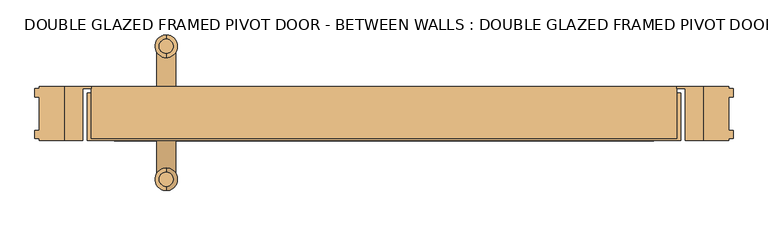
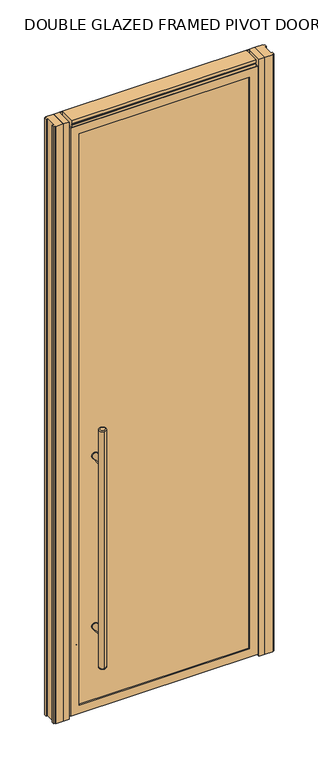
"""IFC4 building model written with IfcOpenShell, lengths in millimetres: door geometry, DOUBLE GLAZED FRAMED PIVOT DOOR - BETWEEN WALLS : DOUBLE GLAZED FRAMED PIVOT DOOR - BETWEEN WALLS."""

from ifc_helpers import new_model, si_unit, point, frame, frame_2d, origin, origin_with_axes, place, context, project, spatial, polyline, circle_curve, ellipse_curve, trimmed, segment, composite_curve, outline, extrude, faceted_brep, source, transform, mapped, element, save
from ifc_brep_helpers import plane_surface, cylinder_surface, revolved_surface, advanced_brep


def double_glazed_framed_pivot_door_between_walls_double_glazed_afb054ee(model_context):
    return source(origin(), model_context, "Body", "SolidModel", [
        extrude(outline(composite_curve([segment(trimmed(circle_curve(frame_2d((428.625, -331.7875)), 15.875), [point((428.625, -347.6625))], [point((428.625, -315.9125))], False, "CARTESIAN"), True, "CONTINUOUS"), segment(trimmed(circle_curve(frame_2d((428.625, -331.7875)), 15.875), [point((428.625, -315.9125))], [point((428.625, -347.6625))], False, "CARTESIAN"), True, "CONTINUOUS")], self_intersect=False)), frame((0.0, 6.35, 0.0), z_axis=(0.0, 1.0, 0.0), x_axis=(0.0, 0.0, 1.0)), (0.0, 0.0, 1.0), 3.175),
        extrude(outline(composite_curve([segment(trimmed(circle_curve(frame_2d((1298.575, -331.7875)), 15.875), [point((1298.575, -315.9125))], [point((1298.575, -347.6625))], False, "CARTESIAN"), True, "CONTINUOUS"), segment(trimmed(circle_curve(frame_2d((1298.575, -331.7875)), 15.875), [point((1298.575, -347.6625))], [point((1298.575, -315.9125))], False, "CARTESIAN"), True, "CONTINUOUS")], self_intersect=False)), frame((0.0, 6.35, 0.0), z_axis=(0.0, 1.0, 0.0), x_axis=(0.0, 0.0, 1.0)), (0.0, 0.0, 1.0), 3.175),
        extrude(outline(composite_curve([segment(trimmed(circle_curve(frame_2d((428.625, -331.7875)), 15.875), [point((428.625, -347.6625))], [point((428.625, -315.9125))], False, "CARTESIAN"), True, "CONTINUOUS"), segment(trimmed(circle_curve(frame_2d((428.625, -331.7875)), 15.875), [point((428.625, -315.9125))], [point((428.625, -347.6625))], False, "CARTESIAN"), True, "CONTINUOUS")], self_intersect=False)), frame((0.0, -69.85, 0.0), z_axis=(0.0, 1.0, 0.0), x_axis=(0.0, 0.0, 1.0)), (0.0, 0.0, 1.0), 3.175),
        extrude(outline(composite_curve([segment(trimmed(circle_curve(frame_2d((1298.575, -331.7875)), 15.875), [point((1298.575, -347.6625))], [point((1298.575, -315.9125))], False, "CARTESIAN"), True, "CONTINUOUS"), segment(trimmed(circle_curve(frame_2d((1298.575, -331.7875)), 15.875), [point((1298.575, -315.9125))], [point((1298.575, -347.6625))], False, "CARTESIAN"), True, "CONTINUOUS")], self_intersect=False)), frame((0.0, -69.85, 0.0), z_axis=(0.0, 1.0, 0.0), x_axis=(0.0, 0.0, 1.0)), (0.0, 0.0, 1.0), 3.175),
        extrude(outline(composite_curve([segment(trimmed(circle_curve(frame_2d((428.625, -331.7875)), 14.2875), [point((428.625, -317.5))], [point((428.625, -346.075))], False, "CARTESIAN"), True, "CONTINUOUS"), segment(trimmed(circle_curve(frame_2d((428.625, -331.7875)), 14.2875), [point((428.625, -346.075))], [point((428.625, -317.5))], False, "CARTESIAN"), True, "CONTINUOUS")], self_intersect=False)), frame((0.0, -131.7625, 0.0), z_axis=(0.0, 1.0, 0.0), x_axis=(0.0, 0.0, 1.0)), (0.0, 0.0, 1.0), 65.0875),
        extrude(outline(composite_curve([segment(trimmed(circle_curve(frame_2d((1298.575, -331.7875)), 14.2875), [point((1298.575, -317.5))], [point((1298.575, -346.075))], False, "CARTESIAN"), True, "CONTINUOUS"), segment(trimmed(circle_curve(frame_2d((1298.575, -331.7875)), 14.2875), [point((1298.575, -346.075))], [point((1298.575, -317.5))], False, "CARTESIAN"), True, "CONTINUOUS")], self_intersect=False)), frame((0.0, -131.7625, 0.0), z_axis=(0.0, 1.0, 0.0), x_axis=(0.0, 0.0, 1.0)), (0.0, 0.0, 1.0), 65.0875),
        advanced_brep(
        [(-331.7875, 60.6425, 1473.2), (-331.7875, 82.2325, 1473.2), (-331.7875, 82.2325, 254.0), (-331.7875, 60.6425, 254.0), (-331.7875, 88.5825, 260.35), (-331.7875, 88.5825, 1466.85), (-331.7875, 54.2925, 1466.85), (-331.7875, 54.2925, 260.35)],
        [
            (0, 1, circle_curve(frame((-331.7875, 71.4375, 1473.2), z_axis=(0.0, 0.0, 1.0), x_axis=(0.0, -1.0, 0.0)), 10.795)),
            (1, 0, circle_curve(frame((-331.7875, 71.4375, 1473.2), z_axis=(0.0, 0.0, 1.0), x_axis=(0.0, -1.0, 0.0)), 10.795)),
            (2, 3, circle_curve(frame((-331.7875, 71.4375, 254.0), z_axis=(0.0, 0.0, -1.0), x_axis=(0.0, -1.0, 0.0)), 10.795)),
            (3, 2, circle_curve(frame((-331.7875, 71.4375, 254.0), z_axis=(0.0, 0.0, -1.0), x_axis=(0.0, -1.0, 0.0)), 10.795)),
            (4, 5),
            (5, 6, circle_curve(frame((-331.7875, 71.4375, 1466.85), z_axis=(0.0, 0.0, -1.0), x_axis=(0.0, -1.0, 0.0)), 17.145)),
            (6, 7),
            (7, 4, circle_curve(frame((-331.7875, 71.4375, 260.35), z_axis=(0.0, 0.0, 1.0), x_axis=(0.0, -1.0, 0.0)), 17.145)),
            (6, 5, circle_curve(frame((-331.7875, 71.4375, 1466.85), z_axis=(0.0, 0.0, -1.0), x_axis=(0.0, -1.0, 0.0)), 17.145)),
            (4, 7, circle_curve(frame((-331.7875, 71.4375, 260.35), z_axis=(0.0, 0.0, 1.0), x_axis=(0.0, -1.0, 0.0)), 17.145)),
            (3, 7, circle_curve(frame((-331.7875, 60.6425, 260.35), z_axis=(-1.0, 0.0, 0.0), x_axis=(0.0, -1.0, 0.0)), 6.35)),
            (4, 2, circle_curve(frame((-331.7875, 82.2325, 260.35), z_axis=(-1.0, 0.0, 0.0), x_axis=(0.0, 1.0, 0.0)), 6.35)),
            (6, 0, circle_curve(frame((-331.7875, 60.6425, 1466.85), z_axis=(-1.0, 0.0, 0.0), x_axis=(0.0, -1.0, 0.0)), 6.35)),
            (1, 5, circle_curve(frame((-331.7875, 82.2325, 1466.85), z_axis=(-1.0, 0.0, 0.0), x_axis=(0.0, 1.0, 0.0)), 6.35)),
        ],
        [
            plane_surface(frame((-331.7875, -148.9075, 1473.2), z_axis=(0.0, 0.0, 1.0), x_axis=(-1.0, 0.0, 0.0))),
            plane_surface(frame((-331.7875, -148.9075, 254.0), z_axis=(0.0, 0.0, -1.0), x_axis=(1.0, 0.0, 0.0))),
            cylinder_surface(frame((-331.7875, 71.4375, 254.0), z_axis=(0.0, 0.0, 1.0), x_axis=(0.0, -1.0, 0.0)), 17.145),
            revolved_surface(trimmed(ellipse_curve(frame((-331.7875, 60.6425, 260.35), z_axis=(-1.0, 0.0, 0.0), x_axis=(0.0, -1.0, 0.0)), 6.35, 6.35), [point((-331.7875, 60.6425, 254.0))], [point((-331.7875, 54.2925, 260.35))], True, "CARTESIAN"), (-331.7875, 71.4375, 2082.8), (0.0, 0.0, 1.0)),
            revolved_surface(trimmed(ellipse_curve(frame((-331.7875, 60.6425, 1466.85), z_axis=(-1.0, 0.0, 0.0), x_axis=(0.0, -1.0, 0.0)), 6.35, 6.35), [point((-331.7875, 54.2925, 1466.85))], [point((-331.7875, 60.6425, 1473.2))], True, "CARTESIAN"), (-331.7875, 71.4375, -355.6), (0.0, 0.0, 1.0)),
        ],
        [
            (0, [[1, 2]]),
            (1, [[3, 4]]),
            (2, [[5, 6, 7, 8]]),
            (2, [[-7, 9, -5, 10]]),
            (3, [[-4, 11, -10, 12]]),
            (3, [[-8, -11, -3, -12]]),
            (4, [[-9, 13, -2, 14]]),
            (4, [[-1, -13, -6, -14]]),
        ],
    ),
        advanced_brep(
        [(-331.7875, -142.5575, 1473.2), (-331.7875, -120.9675, 1473.2), (-331.7875, -120.9675, 254.0), (-331.7875, -142.5575, 254.0), (-331.7875, -114.6175, 260.35), (-331.7875, -114.6175, 1466.85), (-331.7875, -148.9075, 1466.85), (-331.7875, -148.9075, 260.35)],
        [
            (0, 1, circle_curve(frame((-331.7875, -131.7625, 1473.2), z_axis=(0.0, 0.0, 1.0), x_axis=(0.0, 1.0, 0.0)), 10.795)),
            (1, 0, circle_curve(frame((-331.7875, -131.7625, 1473.2), z_axis=(0.0, 0.0, 1.0), x_axis=(0.0, 1.0, 0.0)), 10.795)),
            (2, 3, circle_curve(frame((-331.7875, -131.7625, 254.0), z_axis=(0.0, 0.0, -1.0), x_axis=(0.0, 1.0, 0.0)), 10.795)),
            (3, 2, circle_curve(frame((-331.7875, -131.7625, 254.0), z_axis=(0.0, 0.0, -1.0), x_axis=(0.0, 1.0, 0.0)), 10.795)),
            (4, 5),
            (5, 6, circle_curve(frame((-331.7875, -131.7625, 1466.85), z_axis=(0.0, 0.0, -1.0), x_axis=(0.0, -1.0, 0.0)), 17.145)),
            (6, 7),
            (7, 4, circle_curve(frame((-331.7875, -131.7625, 260.35), z_axis=(0.0, 0.0, 1.0), x_axis=(0.0, -1.0, 0.0)), 17.145)),
            (6, 5, circle_curve(frame((-331.7875, -131.7625, 1466.85), z_axis=(0.0, 0.0, -1.0), x_axis=(0.0, -1.0, 0.0)), 17.145)),
            (4, 7, circle_curve(frame((-331.7875, -131.7625, 260.35), z_axis=(0.0, 0.0, 1.0), x_axis=(0.0, -1.0, 0.0)), 17.145)),
            (4, 2, circle_curve(frame((-331.7875, -120.9675, 260.35), z_axis=(-1.0, 0.0, 0.0), x_axis=(0.0, 1.0, 0.0)), 6.35)),
            (3, 7, circle_curve(frame((-331.7875, -142.5575, 260.35), z_axis=(-1.0, 0.0, 0.0), x_axis=(0.0, -1.0, 0.0)), 6.35)),
            (1, 5, circle_curve(frame((-331.7875, -120.9675, 1466.85), z_axis=(-1.0, 0.0, 0.0), x_axis=(0.0, 1.0, 0.0)), 6.35)),
            (6, 0, circle_curve(frame((-331.7875, -142.5575, 1466.85), z_axis=(-1.0, 0.0, 0.0), x_axis=(0.0, -1.0, 0.0)), 6.35)),
        ],
        [
            plane_surface(frame((-331.7875, -148.9075, 1473.2), z_axis=(0.0, 0.0, 1.0), x_axis=(-1.0, 0.0, 0.0))),
            plane_surface(frame((-331.7875, -148.9075, 254.0), z_axis=(0.0, 0.0, -1.0), x_axis=(1.0, 0.0, 0.0))),
            cylinder_surface(frame((-331.7875, -131.7625, 254.0), z_axis=(0.0, 0.0, 1.0), x_axis=(0.0, -1.0, 0.0)), 17.145),
            revolved_surface(trimmed(ellipse_curve(frame((-331.7875, -120.9675, 260.35), z_axis=(-1.0, 0.0, 0.0), x_axis=(0.0, 1.0, 0.0)), 6.35, 6.35), [point((-331.7875, -114.6175, 260.35))], [point((-331.7875, -120.9675, 254.0))], True, "CARTESIAN"), (-331.7875, -131.7625, 2082.8), (0.0, 0.0, -1.0)),
            revolved_surface(trimmed(ellipse_curve(frame((-331.7875, -120.9675, 1466.85), z_axis=(-1.0, 0.0, 0.0), x_axis=(0.0, 1.0, 0.0)), 6.35, 6.35), [point((-331.7875, -120.9675, 1473.2))], [point((-331.7875, -114.6175, 1466.85))], True, "CARTESIAN"), (-331.7875, -131.7625, -355.6), (0.0, 0.0, -1.0)),
        ],
        [
            (0, [[1, 2]]),
            (1, [[3, 4]]),
            (2, [[5, 6, 7, 8]]),
            (2, [[-7, 9, -5, 10]]),
            (3, [[-10, 11, -4, 12]]),
            (3, [[-3, -11, -8, -12]]),
            (4, [[-2, 13, -9, 14]]),
            (4, [[-6, -13, -1, -14]]),
        ],
    ),
        extrude(outline(composite_curve([segment(trimmed(circle_curve(frame_2d((428.625, -331.7875)), 14.2875), [point((428.625, -317.5))], [point((428.625, -346.075))], False, "CARTESIAN"), True, "CONTINUOUS"), segment(trimmed(circle_curve(frame_2d((428.625, -331.7875)), 14.2875), [point((428.625, -346.075))], [point((428.625, -317.5))], False, "CARTESIAN"), True, "CONTINUOUS")], self_intersect=False)), frame((0.0, 6.35, 0.0), z_axis=(0.0, 1.0, 0.0), x_axis=(0.0, 0.0, 1.0)), (0.0, 0.0, 1.0), 65.0875),
        extrude(outline(composite_curve([segment(trimmed(circle_curve(frame_2d((1298.575, -331.7875)), 14.2875), [point((1298.575, -317.5))], [point((1298.575, -346.075))], False, "CARTESIAN"), True, "CONTINUOUS"), segment(trimmed(circle_curve(frame_2d((1298.575, -331.7875)), 14.2875), [point((1298.575, -346.075))], [point((1298.575, -317.5))], False, "CARTESIAN"), True, "CONTINUOUS")], self_intersect=False)), frame((0.0, 6.35, 0.0), z_axis=(0.0, 1.0, 0.0), x_axis=(0.0, 0.0, 1.0)), (0.0, 0.0, 1.0), 65.0875),
        extrude(outline(polyline([(487.3625, -73.025), (487.3625, 9.525), (525.4625, 9.525), (525.4625, 6.35), (531.8125, 6.35), (531.8125, -6.35), (525.4625, -6.35), (525.4625, -57.15), (531.8125, -57.15), (531.8125, -69.85), (525.4625, -69.85), (525.4625, -73.025), (487.3625, -73.025)])), origin_with_axes(), (0.0, 0.0, 1.0), 3048.0),
        extrude(outline(polyline([(-487.3625, -73.025), (-525.4625, -73.025), (-525.4625, -69.85), (-531.8125, -69.85), (-531.8125, -57.15), (-525.4625, -57.15), (-525.4625, -6.35), (-531.8125, -6.35), (-531.8125, 6.35), (-525.4625, 6.35), (-525.4625, 9.525), (-487.3625, 9.525), (-487.3625, -73.025)])), origin_with_axes(), (0.0, 0.0, 1.0), 3048.0),
        extrude(outline(polyline([(-411.1625, -66.675), (-411.1625, -53.975), (411.1625, -53.975), (411.1625, -66.675), (-411.1625, -66.675)])), frame((0.0, 0.0, 53.975), z_axis=(0.0, 0.0, 1.0), x_axis=(1.0, 0.0, 0.0)), (0.0, 0.0, 1.0), 2917.825),
        faceted_brep([(411.1625, 0.0, 2971.8), (411.1625, 0.0, 53.975), (411.1625, -73.025, 53.975), (411.1625, -73.025, 2971.8), (-411.1625, 0.0, 53.975), (-411.1625, -73.025, 53.975), (-452.4375, -73.025, 12.7), (452.4375, -73.025, 12.7), (452.4375, -73.025, 3013.075), (-452.4375, -73.025, 3013.075), (-411.1625, -73.025, 2971.8), (-411.1625, 0.0, 2971.8), (427.0375, 0.0, 38.1), (-427.0375, 0.0, 38.1), (-427.0375, 0.0, 2987.675), (427.0375, 0.0, 2987.675), (427.0375, 9.525, 2987.675), (427.0375, 9.525, 38.1), (-427.0375, 9.525, 38.1), (-427.0375, 9.525, 2987.675), (436.5625, 9.525, 28.575), (-436.5625, 9.525, 28.575), (-436.5625, 9.525, 2997.2), (436.5625, 9.525, 2997.2), (436.5625, 0.0, 2997.2), (436.5625, 0.0, 28.575), (-436.5625, 0.0, 28.575), (-436.5625, 0.0, 2997.2), (452.4375, 0.0, 12.7), (-452.4375, 0.0, 12.7), (-452.4375, 0.0, 3013.075), (452.4375, 0.0, 3013.075)], [[[0, 1, 2, 3]], [[1, 4, 5, 2]], [[6, 7, 8, 9], [2, 5, 10, 3]], [[4, 11, 10, 5]], [[12, 13, 14, 15], [4, 1, 0, 11]], [[16, 17, 12, 15]], [[17, 18, 13, 12]], [[18, 19, 14, 13]], [[20, 21, 22, 23], [18, 17, 16, 19]], [[24, 25, 20, 23]], [[25, 26, 21, 20]], [[26, 27, 22, 21]], [[28, 29, 30, 31], [26, 25, 24, 27]], [[8, 7, 28, 31]], [[7, 6, 29, 28]], [[6, 9, 30, 29]], [[11, 0, 3, 10]], [[19, 16, 15, 14]], [[27, 24, 23, 22]], [[9, 8, 31, 30]]]),
        extrude(outline(polyline([(487.3625, -73.025), (458.7875, -73.025), (458.7875, 6.35), (446.0875, 6.35), (446.0875, 9.525), (487.3625, 9.525), (487.3625, -73.025)])), origin_with_axes(), (0.0, 0.0, 1.0), 3048.0),
        extrude(outline(polyline([(-487.3625, -73.025), (-487.3625, 9.525), (-446.0875, 9.525), (-446.0875, 6.35), (-458.7875, 6.35), (-458.7875, -73.025), (-487.3625, -73.025)])), origin_with_axes(), (0.0, 0.0, 1.0), 3048.0),
        extrude(outline(polyline([(411.1625, 6.35), (411.1625, -6.35), (-411.1625, -6.35), (-411.1625, 6.35), (411.1625, 6.35)])), frame((0.0, 0.0, 38.1), z_axis=(0.0, 0.0, 1.0), x_axis=(1.0, 0.0, 0.0)), (0.0, 0.0, 1.0), 2933.7),
        extrude(outline(polyline([(-69.85, 3003.55), (-69.85, 3025.775), (-66.675, 3025.775), (-66.675, 3032.125), (-69.85, 3032.125), (-69.85, 3048.0), (9.525, 3048.0), (9.525, 3032.125), (6.35, 3032.125), (6.35, 3025.775), (9.525, 3025.775), (9.525, 2989.5601562), (6.35, 2989.5601562), (6.35, 3003.55), (-69.85, 3003.55)])), frame((-446.0875, 0.0, 0.0), z_axis=(1.0, 0.0, 0.0), x_axis=(0.0, 1.0, 0.0)), (0.0, 0.0, 1.0), 892.175),
    ])


if __name__ == "__main__":
    model = new_model("IFC4")
    model_context = context("Model", 3, world=origin())
    ifc_project = project(units=[si_unit("LENGTHUNIT", "METRE", prefix="MILLI")], contexts=[model_context])
    site = spatial("IfcSite", under=ifc_project)
    building = spatial("IfcBuilding", under=site)
    placement = place(None, origin())
    double_glazed_framed_pivot_door_between_walls_double_glazed_shape = double_glazed_framed_pivot_door_between_walls_double_glazed_afb054ee(model_context)
    element("IfcDoor", 1, ObjectType="DOUBLE GLAZED FRAMED PIVOT DOOR - BETWEEN WALLS : DOUBLE GLAZED FRAMED PIVOT DOOR - BETWEEN WALLS", at=placement, inside=building, context=model_context, shape_type="MappedRepresentation", body=[
        mapped(double_glazed_framed_pivot_door_between_walls_double_glazed_shape, transform((0.0, 0.0, 0.0), x_axis=(1.0, 0.0, 0.0), y_axis=(0.0, 1.0, 0.0), z_axis=(0.0, 0.0, 1.0))),
    ])
    save(model, "model.ifc")
